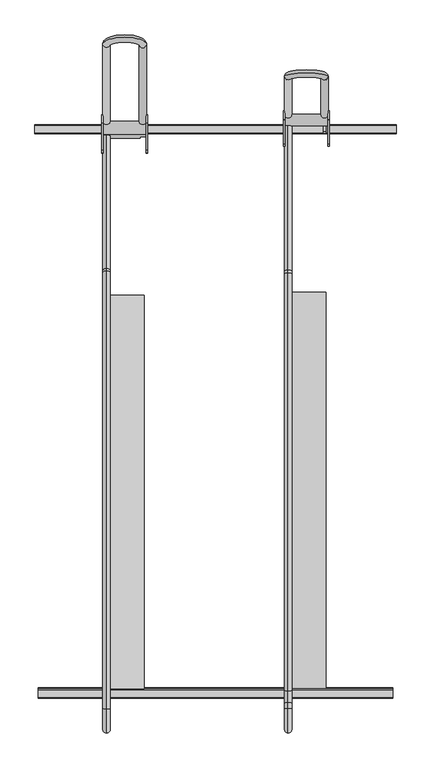
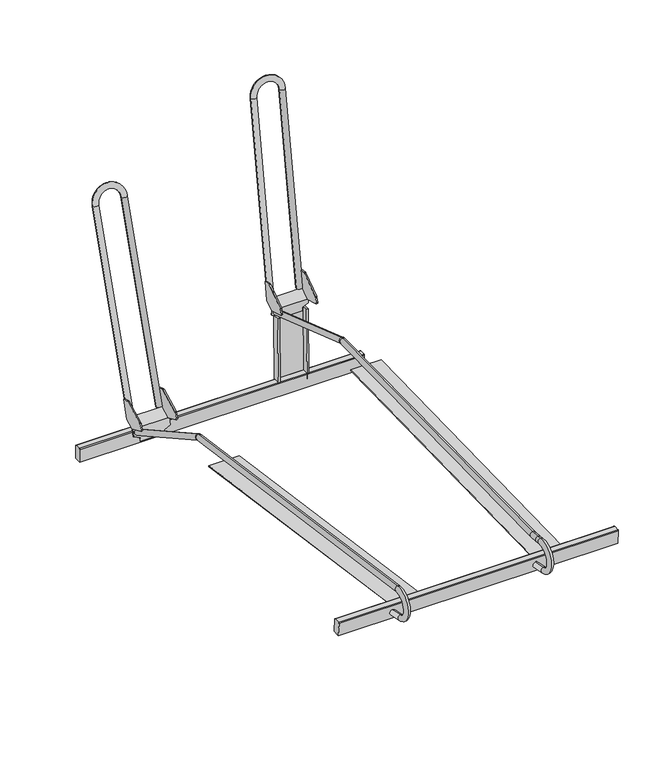
"""IFC4 building model written with IfcOpenShell, lengths in millimetres: proxy geometry."""

from ifc_helpers import new_model, si_unit, point, frame, frame_2d, origin, place, context, project, spatial, polyline, circle_curve, ellipse_curve, trimmed, segment, composite_curve, outline, extrude, faceted_brep, source, transform, mapped, element, save
from ifc_brep_helpers import plane_surface, cylinder_surface, revolved_surface, advanced_brep


def parking_329facc9(model_context):
    return source(origin(), model_context, "Body", "SolidModel", [
        advanced_brep(
        [(-39.9999933, 582.8922729, 1251.0769019), (-39.9999933, 577.696926, 1235.8839745), (-39.9999933, -664.9428908, 1248.1665916), (-39.9999933, -661.834922, 1263.9195976), (-39.9999933, -711.6180658, 1273.7414982), (-39.9999933, -714.7260346, 1257.9884921), (-39.9999933, -701.1760152, 1335.3972094), (-39.9999933, -698.9235668, 1351.295107), (-39.9999933, 265.8512288, 1359.4917024), (-39.9999933, 260.655882, 1344.298775), (-39.9999933, 257.8336658, 1344.7473688), (-39.9999933, 257.605212, 1360.8024141), (-39.9999933, -660.0293715, 1347.7450176), (-39.9999933, -659.8009177, 1331.6899723), (-39.9999933, -687.3079211, 1333.4323479), (-39.9999933, -685.0554727, 1349.3302455)],
        [
            (0, 1, circle_curve(frame((-39.9999933, 580.2945995, 1243.4804382), z_axis=(0.0, 0.9462065793485569, -0.3235631456107187), x_axis=(0.0, -0.3235631456107187, -0.9462065793485569)), 8.0283353)),
            (1, 0, circle_curve(frame((-39.9999933, 580.2945995, 1243.4804382), z_axis=(0.0, 0.9462065793485569, -0.3235631456107187), x_axis=(0.0, -0.3235631456107187, -0.9462065793485569)), 8.0283353)),
            (2, 3, circle_curve(frame((-39.9999933, -663.3889064, 1256.0430946), z_axis=(0.0, 0.9810879524116619, -0.193562469587193), x_axis=(0.0, 0.19356246958719295, 0.9810879524116617)), 8.0283353)),
            (3, 2, circle_curve(frame((-39.9999933, -663.3889064, 1256.0430946), z_axis=(0.0, 0.9810879524116619, -0.193562469587193), x_axis=(0.0, 0.19356246958719295, 0.9810879524116617)), 8.0283353)),
            (4, 5, circle_curve(frame((-39.9999933, -713.1720502, 1265.8649951), z_axis=(0.0, 0.9810879524116619, -0.193562469587193), x_axis=(0.0, 0.19356246958719295, 0.9810879524116617)), 8.0283353)),
            (5, 2),
            (3, 4),
            (5, 4, circle_curve(frame((-39.9999933, -713.1720502, 1265.8649951), z_axis=(0.0, 0.9810879524116619, -0.193562469587193), x_axis=(0.0, 0.19356246958719295, 0.9810879524116617)), 8.0283353)),
            (4, 6, circle_curve(frame((-39.9999933, -705.563767, 1304.4282301), z_axis=(-1.0, 0.0, 0.0), x_axis=(0.0, 0.1402811637915332, 0.990111708387136)), 31.278268)),
            (6, 7, circle_curve(frame((-39.9999933, -700.049791, 1343.3461582), z_axis=(0.0, -0.990111708387136, 0.14028116379153324), x_axis=(0.0, -0.14028116379153324, -0.990111708387136)), 8.0283353)),
            (7, 5, circle_curve(frame((-39.9999933, -705.563767, 1304.4282301), z_axis=(1.0, 0.0, 0.0), x_axis=(0.0, 0.1402811637915332, 0.990111708387136)), 47.3349386)),
            (7, 6, circle_curve(frame((-39.9999933, -700.049791, 1343.3461582), z_axis=(0.0, -0.990111708387136, 0.14028116379153324), x_axis=(0.0, -0.14028116379153324, -0.990111708387136)), 8.0283353)),
            (0, 8),
            (8, 9, circle_curve(frame((-39.9999933, 263.2535554, 1351.8952387), z_axis=(0.0, 0.9462065793485569, -0.3235631456107187), x_axis=(0.0, -0.3235631456107187, -0.9462065793485569)), 8.0283353)),
            (9, 1),
            (9, 8, circle_curve(frame((-39.9999933, 263.2535554, 1351.8952387), z_axis=(0.0, 0.9462065793485569, -0.3235631456107187), x_axis=(0.0, -0.3235631456107187, -0.9462065793485569)), 8.0283353)),
            (10, 11, circle_curve(frame((-39.9999933, 257.7194389, 1352.7748914), z_axis=(0.0, -0.9998987773517047, -0.014227967197252613), x_axis=(0.0, 0.014227967197252613, -0.9998987773517047)), 8.0283353)),
            (11, 12),
            (12, 13, circle_curve(frame((-39.9999933, -659.9151446, 1339.717495), z_axis=(0.0, 0.9998987773517047, 0.014227967197252613), x_axis=(0.0, 0.014227967197252613, -0.9998987773517047)), 8.0283353)),
            (13, 10),
            (11, 10, circle_curve(frame((-39.9999933, 257.7194389, 1352.7748914), z_axis=(0.0, -0.9998987773517047, -0.014227967197252613), x_axis=(0.0, 0.014227967197252613, -0.9998987773517047)), 8.0283353)),
            (13, 12, circle_curve(frame((-39.9999933, -659.9151446, 1339.717495), z_axis=(0.0, 0.9998987773517047, 0.014227967197252613), x_axis=(0.0, 0.014227967197252613, -0.9998987773517047)), 8.0283353)),
            (14, 13, circle_curve(frame((-39.9999933, -662.3338991, 1509.7002871), z_axis=(1.0, 0.0, 0.0), x_axis=(0.0, 0.01422796719725175, -0.9998987773517047)), 178.0283353)),
            (12, 15, circle_curve(frame((-39.9999933, -662.3338991, 1509.7002871), z_axis=(-1.0, 0.0, 0.0), x_axis=(0.0, 0.01422796719725175, -0.9998987773517047)), 161.9716647)),
            (15, 14, circle_curve(frame((-39.9999933, -686.1816969, 1341.3812967), z_axis=(0.0, 0.990111708387136, -0.14028116379153271), x_axis=(0.0, -0.14028116379153271, -0.990111708387136)), 8.0283353)),
            (14, 15, circle_curve(frame((-39.9999933, -686.1816969, 1341.3812967), z_axis=(0.0, 0.990111708387136, -0.14028116379153316), x_axis=(0.0, -0.14028116379153316, -0.990111708387136)), 8.0283353)),
            (15, 7),
            (6, 14),
            (10, 9, circle_curve(frame((-39.9999933, 257.9525392, 1336.393299), z_axis=(-1.0, 0.0, 0.0), x_axis=(0.0, 0.32356314561072574, 0.9462065793485545)), 8.3549155)),
            (8, 11, circle_curve(frame((-39.9999933, 257.9525392, 1336.393299), z_axis=(1.0, 0.0, 0.0), x_axis=(0.0, 0.32356314561072574, 0.9462065793485545)), 24.4115861)),
        ],
        [
            plane_surface(frame((400.0000067, 580.2945995, 1243.4804382), z_axis=(0.0, 0.9462065793485569, -0.3235631456107187), x_axis=(1.0, 0.0, 0.0))),
            plane_surface(frame((400.0000067, -663.3889064, 1256.0430946), z_axis=(0.0, 0.9810879524116618, -0.19356246958719292), x_axis=(1.0, 0.0, 0.0))),
            cylinder_surface(frame((-39.9999933, -713.1720502, 1265.8649951), z_axis=(0.0, -0.9810879524116617, 0.19356246958719295), x_axis=(0.0, 0.19356246958719295, 0.9810879524116617)), 8.0283353),
            revolved_surface(trimmed(ellipse_curve(frame((-39.9999933, -700.049791, 1343.3461582), z_axis=(0.0, 0.990111708387136, -0.14028116379153324), x_axis=(0.0, -0.14028116379153324, -0.990111708387136)), 8.0283353, 8.0283353), [point((-39.9999933, -698.9235668, 1351.295107))], [point((-39.9999933, -701.1760152, 1335.3972094))], True, "CARTESIAN"), (400.0000067, -705.563767, 1304.4282301), (1.0, 0.0, 0.0)),
            revolved_surface(trimmed(ellipse_curve(frame((-39.9999933, -700.049791, 1343.3461582), z_axis=(0.0, 0.990111708387136, -0.14028116379153324), x_axis=(0.0, -0.14028116379153324, -0.990111708387136)), 8.0283353, 8.0283353), [point((-39.9999933, -701.1760152, 1335.3972094))], [point((-39.9999933, -698.9235668, 1351.295107))], True, "CARTESIAN"), (400.0000067, -705.563767, 1304.4282301), (1.0, 0.0, 0.0)),
            cylinder_surface(frame((-39.9999933, 580.2945995, 1243.4804382), z_axis=(0.0, 0.9462065793485569, -0.3235631456107187), x_axis=(0.0, -0.3235631456107187, -0.9462065793485569)), 8.0283353),
            cylinder_surface(frame((-39.9999933, 257.7194389, 1352.7748914), z_axis=(0.0, 0.9998987773517047, 0.014227967197252613), x_axis=(0.0, 0.014227967197252613, -0.9998987773517047)), 8.0283353),
            revolved_surface(trimmed(ellipse_curve(frame((-39.9999933, -659.9151446, 1339.717495), z_axis=(0.0, 0.9998987773517047, 0.014227967197251659), x_axis=(0.0, 0.014227967197251659, -0.9998987773517047)), 8.0283353, 8.0283353), [point((-39.9999933, -660.0293715, 1347.7450176))], [point((-39.9999933, -659.8009177, 1331.6899723))], True, "CARTESIAN"), (400.0000067, -662.3338991, 1509.7002871), (-1.0, 0.0, 0.0)),
            revolved_surface(trimmed(ellipse_curve(frame((-39.9999933, -659.9151446, 1339.717495), z_axis=(0.0, 0.9998987773517047, 0.014227967197251659), x_axis=(0.0, 0.014227967197251659, -0.9998987773517047)), 8.0283353, 8.0283353), [point((-39.9999933, -659.8009177, 1331.6899723))], [point((-39.9999933, -660.0293715, 1347.7450176))], True, "CARTESIAN"), (400.0000067, -662.3338991, 1509.7002871), (-1.0, 0.0, 0.0)),
            cylinder_surface(frame((-39.9999933, -686.1816969, 1341.3812967), z_axis=(0.0, 0.990111708387136, -0.1402811637915332), x_axis=(0.0, -0.1402811637915332, -0.990111708387136)), 8.0283353),
            revolved_surface(trimmed(ellipse_curve(frame((-39.9999933, 263.2535554, 1351.8952387), z_axis=(0.0, 0.9462065793485545, -0.32356314561072574), x_axis=(0.0, -0.32356314561072574, -0.9462065793485545)), 8.0283353, 8.0283353), [point((-39.9999933, 265.8512288, 1359.4917024))], [point((-39.9999933, 260.655882, 1344.298775))], True, "CARTESIAN"), (400.0000067, 257.9525392, 1336.393299), (1.0, 0.0, 0.0)),
            revolved_surface(trimmed(ellipse_curve(frame((-39.9999933, 263.2535554, 1351.8952387), z_axis=(0.0, 0.9462065793485545, -0.32356314561072574), x_axis=(0.0, -0.32356314561072574, -0.9462065793485545)), 8.0283353, 8.0283353), [point((-39.9999933, 260.655882, 1344.298775))], [point((-39.9999933, 265.8512288, 1359.4917024))], True, "CARTESIAN"), (400.0000067, 257.9525392, 1336.393299), (1.0, 0.0, 0.0)),
        ],
        [
            (0, [[1, 2]]),
            (1, [[3, 4]]),
            (2, [[5, 6, -4, 7]]),
            (2, [[8, -7, -3, -6]]),
            (3, [[9, 10, 11, -5]]),
            (4, [[-11, 12, -9, -8]]),
            (5, [[-1, 13, 14, 15]]),
            (5, [[-2, -15, 16, -13]]),
            (6, [[17, 18, 19, 20]]),
            (6, [[21, -20, 22, -18]]),
            (7, [[23, -19, 24, 25]]),
            (8, [[-24, -22, -23, 26]]),
            (9, [[-25, 27, -10, 28]]),
            (9, [[-26, -28, -12, -27]]),
            (10, [[29, -14, 30, -17]]),
            (11, [[-30, -16, -29, -21]]),
        ],
    ),
        extrude(outline(composite_curve([segment(polyline([(-653.2034861, 1241.3951295), (-673.1547671, 1240.0), (-675.8055131, 1277.9074339)]), True, "CONTINUOUS"), segment(trimmed(circle_curve(frame_2d((-673.810385, 1278.0469469)), 2.0), [point((-675.8055131, 1277.9074339))], [point((-673.949898, 1280.042075))], False, "CARTESIAN"), True, "CONTINUOUS"), segment(polyline([(-673.949898, 1280.042075), (-657.9888732, 1281.1581785)]), True, "CONTINUOUS"), segment(trimmed(circle_curve(frame_2d((-657.8493602, 1279.1630504)), 2.0), [point((-657.9888732, 1281.1581785))], [point((-655.8542321, 1279.3025634))], False, "CARTESIAN"), True, "CONTINUOUS"), segment(polyline([(-655.8542321, 1279.3025634), (-653.2034861, 1241.3951295)]), True, "CONTINUOUS")], self_intersect=False)), frame((-590.0, 0.0, 0.0), z_axis=(1.0, 0.0, 0.0), x_axis=(0.0, 1.0, 0.0)), (0.0, 0.0, 1.0), 780.0),
        extrude(outline(composite_curve([segment(polyline([(585.0629187, 1003.606845), (565.0629187, 1003.606845), (565.0629187, 1041.606845)]), True, "CONTINUOUS"), segment(trimmed(circle_curve(frame_2d((567.0629187, 1041.606845)), 2.0), [point((565.0629187, 1041.606845))], [point((567.0629187, 1043.606845))], False, "CARTESIAN"), True, "CONTINUOUS"), segment(polyline([(567.0629187, 1043.606845), (583.0629187, 1043.606845)]), True, "CONTINUOUS"), segment(trimmed(circle_curve(frame_2d((583.0629187, 1041.606845)), 2.0), [point((583.0629187, 1043.606845))], [point((585.0629187, 1041.606845))], False, "CARTESIAN"), True, "CONTINUOUS"), segment(polyline([(585.0629187, 1041.606845), (585.0629187, 1003.606845)]), True, "CONTINUOUS")], self_intersect=False)), frame((-597.5, 0.0, 0.0), z_axis=(1.0, 0.0, 0.0), x_axis=(0.0, 1.0, 0.0)), (0.0, 0.0, 1.0), 795.0),
        faceted_brep([(42.5597305, 588.0951176, 1229.9922848), (42.5597305, 584.7209752, 1036.6878012), (-42.5597305, 584.7209752, 1036.6878012), (-42.5597305, 588.0951176, 1229.9922848), (-0.3546876, 588.0951176, 1229.9922848), (-0.3546876, 585.8457445, 1230.0315477), (-37.4402695, 585.8457445, 1230.0315477), (-37.4402695, 582.4716022, 1036.7270642), (37.4402695, 582.4716022, 1036.7270642), (37.4402695, 585.8457445, 1230.0315477), (42.5597305, 568.9571426, 1230.3263394), (42.5597305, 565.4370135, 1028.6582783), (42.5597305, 582.4716022, 1036.7270642), (-42.5597305, 582.4716022, 1036.7270642), (-42.5597305, 565.4370135, 1028.6582783), (-42.5597305, 568.9571426, 1230.3263394), (-37.4402695, 568.9571426, 1230.3263394), (37.4402695, 568.9571426, 1230.3263394), (-37.4402695, 565.4370135, 1028.6582783), (37.4402695, 565.4370135, 1028.6582783)], [[[0, 1, 2, 3, 4]], [[5, 6, 7, 8, 9]], [[1, 0, 10, 11, 12]], [[2, 1, 12, 8, 7, 13]], [[3, 2, 13, 14, 15]], [[4, 3, 15, 16, 6, 5]], [[10, 0, 4, 5, 9, 17]], [[6, 16, 18, 7]], [[18, 16, 15, 14]], [[7, 18, 14, 13]], [[8, 19, 17, 9]], [[17, 19, 11, 10]], [[19, 8, 12, 11]]]),
        advanced_brep(
        [(-349.1811577, 564.3892155, 1050.321565), (-349.1811577, 591.1355296, 1063.9095995), (-349.1811577, 607.1367112, 1112.9583546), (-349.1811577, 589.0750917, 1118.850599), (-349.1811577, 587.5489355, 1118.7323072), (-349.1811577, 529.7200184, 1089.3532564), (-349.1811577, 528.3614026, 1087.9497004), (-349.1811577, 522.082664, 1074.5264483), (-349.1811577, 524.0111225, 1069.2084555), (-349.1811577, 562.4482999, 1051.22943), (-349.1811577, 558.5021535, 1031.2280488), (-349.1811577, 560.5427551, 1030.825451), (-450.8188423, 591.1355296, 1063.9095995), (-450.8188423, 564.3892155, 1050.321565), (-450.8188423, 560.5427551, 1030.825451), (-450.8188423, 558.5021535, 1031.2280488), (-450.8188423, 562.4482999, 1051.22943), (-450.8188423, 524.0135663, 1069.2073124), (-450.8188423, 522.0838071, 1074.5288921), (-450.8188423, 528.3614026, 1087.9497004), (-450.8188423, 529.7200184, 1089.3532564), (-450.8188423, 587.5489355, 1118.7323072), (-450.8188423, 589.0750917, 1118.850599), (-450.8188423, 607.1367112, 1112.9583546), (-447.2690307, 607.1367112, 1112.9583546), (-447.2690307, 591.8761254, 1066.1797632), (-352.7309694, 591.8761254, 1066.1797632), (-352.7309694, 607.1367112, 1112.9583546), (-447.2690307, 562.4482999, 1051.22943), (-352.7309694, 562.4482999, 1051.22943), (-352.7309694, 564.3892155, 1050.321565), (-447.2690307, 564.3892155, 1050.321565), (-433.7347779, 557.0984858, 1024.1134392), (-433.7347779, 555.1628611, 1014.3025597), (-366.2652221, 555.1628611, 1014.3025597), (-366.2652221, 557.0984858, 1024.1134392), (-366.2652221, 559.1390874, 1023.7108414), (-366.2652221, 557.2034627, 1013.8999619), (-433.7347779, 557.2034627, 1013.8999619), (-433.7347779, 559.1390874, 1023.7108414), (-447.2690307, 589.0750917, 1118.850599), (-447.2690307, 587.5489355, 1118.7323072), (-447.2690307, 529.7200184, 1089.3532564), (-447.2690307, 528.3614026, 1087.9497004), (-447.2690307, 522.0838071, 1074.5288921), (-447.2690307, 524.0135663, 1069.2073124), (-352.7309694, 524.0111225, 1069.2084555), (-352.7309694, 522.082664, 1074.5264483), (-352.7309694, 528.3614026, 1087.9497004), (-352.7309694, 529.7200184, 1089.3532564), (-352.7309694, 587.5489355, 1118.7323072), (-352.7309694, 589.0750917, 1118.850599)],
        [
            (0, 1),
            (1, 2),
            (2, 3),
            (3, 4, circle_curve(frame((-349.1811577, 588.4548045, 1116.9492196), z_axis=(1.0, 0.0, 0.0), x_axis=(0.0, 0.9875022978659367, -0.15760460561003606)), 2.0)),
            (4, 5),
            (5, 6, circle_curve(frame((-349.1811577, 531.0788218, 1086.678625), z_axis=(1.0, 0.0, 0.0), x_axis=(0.0, 0.9875022978659367, -0.15760460561003606)), 3.0)),
            (6, 7),
            (7, 8, circle_curve(frame((-349.1811577, 525.7058896, 1072.8316812), z_axis=(1.0, 0.0, 0.0), x_axis=(0.0, 0.9875022978659367, -0.15760460561003606)), 4.0)),
            (8, 9),
            (9, 10),
            (10, 11),
            (11, 0),
            (12, 13),
            (13, 14),
            (14, 15),
            (15, 16),
            (16, 17),
            (17, 18, circle_curve(frame((-450.8188423, 525.7094765, 1072.8329819), z_axis=(-1.0, 0.0, 0.0), x_axis=(0.0, 0.9875022978659367, -0.15760460561003606)), 4.0026979)),
            (18, 19),
            (19, 20, circle_curve(frame((-450.8188423, 531.0788218, 1086.678625), z_axis=(-1.0, 0.0, 0.0), x_axis=(0.0, 0.9875022978659367, -0.15760460561003606)), 3.0)),
            (20, 21),
            (21, 22, circle_curve(frame((-450.8188423, 588.4548045, 1116.9492196), z_axis=(-1.0, 0.0, 0.0), x_axis=(0.0, 0.9875022978659367, -0.15760460561003606)), 2.0)),
            (22, 23),
            (23, 12),
            (1, 12),
            (23, 24),
            (24, 25),
            (25, 26),
            (26, 27),
            (27, 2),
            (25, 28),
            (28, 29),
            (29, 26),
            (0, 30),
            (30, 31),
            (31, 13),
            (9, 29),
            (28, 16),
            (15, 32),
            (32, 33),
            (33, 34),
            (34, 35),
            (35, 10),
            (11, 36),
            (36, 37),
            (37, 38),
            (38, 39),
            (39, 14),
            (39, 32),
            (35, 36),
            (34, 37),
            (33, 38),
            (24, 40),
            (40, 41, circle_curve(frame((-447.2690307, 588.4548045, 1116.9492196), z_axis=(1.0, 0.0, 0.0), x_axis=(0.0, 0.9875022978659367, -0.15760460561003606)), 2.0)),
            (41, 42),
            (42, 43, circle_curve(frame((-447.2690307, 531.0788218, 1086.678625), z_axis=(1.0, 0.0, 0.0), x_axis=(0.0, 0.9875022978659367, -0.15760460561003606)), 3.0)),
            (43, 44),
            (44, 45, circle_curve(frame((-447.2690307, 525.7094765, 1072.8329819), z_axis=(1.0, 0.0, 0.0), x_axis=(0.0, 0.9875022978659367, -0.15760460561003606)), 4.0026979)),
            (45, 28),
            (22, 40),
            (41, 21),
            (20, 42),
            (43, 19),
            (18, 44),
            (45, 17),
            (46, 47, circle_curve(frame((-352.7309694, 525.7058896, 1072.8316812), z_axis=(-1.0, 0.0, 0.0), x_axis=(0.0, 0.9875022978659367, -0.15760460561003606)), 4.0)),
            (47, 48),
            (48, 49, circle_curve(frame((-352.7309694, 531.0788218, 1086.678625), z_axis=(-1.0, 0.0, 0.0), x_axis=(0.0, 0.9875022978659367, -0.15760460561003606)), 3.0)),
            (49, 50),
            (50, 51, circle_curve(frame((-352.7309694, 588.4548045, 1116.9492196), z_axis=(-1.0, 0.0, 0.0), x_axis=(0.0, 0.9875022978659367, -0.15760460561003606)), 2.0)),
            (51, 27),
            (29, 46),
            (51, 3),
            (49, 5),
            (4, 50),
            (47, 7),
            (6, 48),
            (8, 46),
        ],
        [
            plane_surface(frame((-349.1811577, 564.3182119, 1052.1794087), z_axis=(1.0, 0.0, 0.0), x_axis=(0.0, -0.8915438038288074, -0.45293448296024125))),
            plane_surface(frame((-450.8188423, 564.3182119, 1052.1794087), z_axis=(-1.0, 0.0, 0.0), x_axis=(0.0, 0.8915438038288074, 0.45293448296024125))),
            plane_surface(frame((-349.1811577, 591.1355296, 1063.9095995), z_axis=(0.0, 0.9506897137466142, -0.3101436250777708), x_axis=(-1.0, 0.0, 0.0))),
            plane_surface(frame((-349.1811577, 591.8761254, 1066.1797632), z_axis=(0.0, -0.45293448296024125, 0.8915438038288074), x_axis=(-1.0, 0.0, 0.0))),
            plane_surface(frame((-349.1811577, 564.3892155, 1050.321565), z_axis=(0.0, 0.4529344829602402, -0.8915438038288079), x_axis=(-1.0, 0.0, 0.0))),
            plane_surface(frame((-349.1811577, 562.4482999, 1051.22943), z_axis=(0.0, -0.9810879524116619, 0.1935624695871925), x_axis=(-1.0, 0.0, 0.0))),
            plane_surface(frame((-349.1811577, 556.5688675, 1010.6834616), z_axis=(0.0, 0.9810879524116619, -0.1935624695871923), x_axis=(-1.0, 0.0, 0.0))),
            plane_surface(frame((-433.7347779, 524.9173134, 1030.4625817), z_axis=(-0.39073112848927577, -0.17817519270125057, -0.9030962218586509), x_axis=(0.0, 0.9810879524116619, -0.19356246958719212))),
            plane_surface(frame((-349.1811577, 526.320981, 1037.5771913), z_axis=(0.39073112848927405, -0.17817519270125085, -0.9030962218586517), x_axis=(0.0, 0.9810879524116619, -0.19356246958719225))),
            plane_surface(frame((-366.2652221, 524.9173134, 1030.4625817), z_axis=(1.0, 0.0, 0.0), x_axis=(0.0, 0.9810879524116619, -0.19356246958719212))),
            plane_surface(frame((-366.2652221, 522.9816887, 1020.6517022), z_axis=(0.0, -0.19356246958719225, -0.9810879524116619), x_axis=(0.0, 0.9810879524116619, -0.19356246958719225))),
            plane_surface(frame((-433.7347779, 522.9816887, 1020.6517022), z_axis=(-1.0, 0.0, 0.0), x_axis=(0.0, 0.9810879524116619, -0.19356246958719225))),
            plane_surface(frame((-447.2690307, 616.4410199, 1141.479046), z_axis=(1.0, 0.0, 0.0), x_axis=(0.0, 0.31014362507778576, 0.9506897137466093))),
            plane_surface(frame((-447.2690307, 607.1367112, 1112.9583546), z_axis=(0.0, 0.31014362507779286, 0.950689713746607), x_axis=(-1.0, 0.0, 0.0))),
            plane_surface(frame((-447.2690307, 587.5489355, 1118.7323072), z_axis=(0.0, -0.45293448296024674, 0.8915438038288047), x_axis=(-1.0, 0.0, 0.0))),
            plane_surface(frame((-447.2690307, 528.3614026, 1087.9497004), z_axis=(0.0, -0.9058064168346622, 0.42369179272337826), x_axis=(-1.0, 0.0, 0.0))),
            plane_surface(frame((-447.2690307, 524.0135663, 1069.2073124), z_axis=(0.0, -0.4236917927233751, -0.9058064168346638), x_axis=(-1.0, 0.0, 0.0))),
            cylinder_surface(frame((-450.8188423, 531.0788218, 1086.678625), z_axis=(1.0000000000000002, 0.0, 0.0), x_axis=(0.0, 0.9875022978659367, -0.15760460561003606)), 3.0),
            cylinder_surface(frame((-450.8188423, 525.7094765, 1072.8329819), z_axis=(1.0000000000000002, 0.0, 0.0), x_axis=(0.0, 0.9875022978659367, -0.15760460561003606)), 4.0026979),
            plane_surface(frame((-352.7309694, 590.9418925, 1063.8112252), z_axis=(-1.0, 0.0, 0.0), x_axis=(0.0, -0.891543803828807, -0.4529344829602418))),
            plane_surface(frame((-352.7309694, 589.0750917, 1118.850599), z_axis=(0.0, 0.31014362507779286, 0.950689713746607), x_axis=(1.0, 0.0, 0.0))),
            plane_surface(frame((-352.7309694, 529.7200184, 1089.3532564), z_axis=(0.0, -0.45293448296024674, 0.8915438038288047), x_axis=(1.0, 0.0, 0.0))),
            plane_surface(frame((-352.7309694, 522.082664, 1074.5264483), z_axis=(0.0, -0.9058064168346661, 0.4236917927233701), x_axis=(1.0, 0.0, 0.0))),
            plane_surface(frame((-352.7309694, 564.3892155, 1050.321565), z_axis=(0.0, -0.42369179272337704, -0.9058064168346628), x_axis=(1.0, 0.0, 0.0))),
            cylinder_surface(frame((-349.1811577, 525.7058896, 1072.8316812), z_axis=(-1.0000000000000002, 0.0, 0.0), x_axis=(0.0, 0.9875022978659367, -0.15760460561003606)), 4.0),
            cylinder_surface(frame((-349.1811577, 531.0788218, 1086.678625), z_axis=(-1.0000000000000002, 0.0, 0.0), x_axis=(0.0, 0.9875022978659367, -0.15760460561003606)), 3.0),
            cylinder_surface(frame((-450.8188423, 588.4548045, 1116.9492196), z_axis=(1.0000000000000002, 0.0, 0.0), x_axis=(0.0, 0.9875022978659367, -0.15760460561003606)), 2.0),
            cylinder_surface(frame((-349.1811577, 588.4548045, 1116.9492196), z_axis=(-1.0000000000000002, 0.0, 0.0), x_axis=(0.0, 0.9875022978659367, -0.15760460561003606)), 2.0),
        ],
        [
            (0, [[1, 2, 3, 4, 5, 6, 7, 8, 9, 10, 11, 12]]),
            (1, [[13, 14, 15, 16, 17, 18, 19, 20, 21, 22, 23, 24]]),
            (2, [[-2, 25, -24, 26, 27, 28, 29, 30]]),
            (3, [[31, 32, 33, -28]]),
            (4, [[-25, -1, 34, 35, 36, -13]]),
            (5, [[-10, 37, -32, 38, -16, 39, 40, 41, 42, 43]]),
            (6, [[-12, 44, 45, 46, 47, 48, -14, -36, -35, -34]]),
            (7, [[49, -39, -15, -48]]),
            (8, [[50, -44, -11, -43]]),
            (9, [[-50, -42, 51, -45]]),
            (10, [[-51, -41, 52, -46]]),
            (11, [[-49, -47, -52, -40]]),
            (12, [[53, 54, 55, 56, 57, 58, 59, -31, -27]]),
            (13, [[-53, -26, -23, 60]]),
            (14, [[-55, 61, -21, 62]]),
            (15, [[-57, 63, -19, 64]]),
            (16, [[65, -17, -38, -59]]),
            (17, [[-56, -62, -20, -63]]),
            (18, [[-58, -64, -18, -65]]),
            (19, [[66, 67, 68, 69, 70, 71, -29, -33, 72]]),
            (20, [[-71, 73, -3, -30]]),
            (21, [[-69, 74, -5, 75]]),
            (22, [[-67, 76, -7, 77]]),
            (23, [[78, -72, -37, -9]]),
            (24, [[-66, -78, -8, -76]]),
            (25, [[-68, -77, -6, -74]]),
            (26, [[-54, -60, -22, -61]]),
            (27, [[-70, -75, -4, -73]]),
        ],
    ),
        advanced_brep(
        [(50.8188423, 584.5663048, 1248.5761243), (50.8188423, 607.0746861, 1265.0663825), (50.8188423, 614.9431576, 1316.0556494), (50.8188423, 596.1669678, 1318.9531203), (50.8188423, 594.6799592, 1318.5898697), (50.8188423, 542.3558608, 1280.2557985), (50.8188423, 541.2417947, 1278.6512228), (50.8188423, 537.6741097, 1266.0201303), (50.8188423, 540.4645989, 1261.0327661), (50.8188423, 582.5042334, 1249.1585618), (50.8188423, 582.7766788, 1236.4439235), (50.8188423, 584.8253293, 1236.4878214), (-50.8188423, 607.0746861, 1265.0663825), (-50.8188423, 584.5663048, 1248.5761243), (-50.8188423, 584.8253293, 1236.4878214), (-50.8188423, 582.7766788, 1236.4439235), (-50.8188423, 582.5042334, 1249.1585618), (-50.8188423, 540.425067, 1261.043932), (-50.8188423, 537.6629438, 1265.9805984), (-50.8188423, 541.2417947, 1278.6512228), (-50.8188423, 542.3558608, 1280.2557985), (-50.8188423, 594.6799592, 1318.5898697), (-50.8188423, 596.1669678, 1318.9531203), (-50.8188423, 614.9431576, 1316.0556494), (-47.2690307, 614.9431576, 1316.0556494), (-47.2690307, 607.438869, 1267.4263605), (47.2690307, 607.438869, 1267.4263605), (47.2690307, 614.9431576, 1316.0556494), (47.2690307, 582.5042334, 1249.1585618), (-47.2690307, 582.5042334, 1249.1585618), (-33.7347779, 582.9320315, 1229.1938326), (-33.7347779, 583.1462594, 1219.1961276), (33.7347779, 583.1462594, 1219.1961276), (33.7347779, 582.9320315, 1229.1938326), (-33.7347779, 585.1949099, 1219.2400255), (33.7347779, 585.1949099, 1219.2400255), (33.7347779, 584.9806821, 1229.2377305), (-33.7347779, 584.9806821, 1229.2377305), (-47.2690307, 584.5663048, 1248.5761243), (47.2690307, 584.5663048, 1248.5761243), (-47.2690307, 596.1669678, 1318.9531203), (-47.2690307, 594.6799592, 1318.5898697), (-47.2690307, 542.3558608, 1280.2557985), (-47.2690307, 541.2417947, 1278.6512228), (-47.2690307, 537.6629438, 1265.9805984), (-47.2690307, 540.425067, 1261.043932), (47.2690307, 540.4645989, 1261.0327661), (47.2690307, 537.6741097, 1266.0201303), (47.2690307, 541.2417947, 1278.6512228), (47.2690307, 542.3558608, 1280.2557985), (47.2690307, 594.6799592, 1318.5898697), (47.2690307, 596.1669678, 1318.9531203)],
        [
            (0, 1),
            (1, 2),
            (2, 3),
            (3, 4, circle_curve(frame((50.8188423, 595.8619458, 1316.9765168), z_axis=(1.0, 0.0, 0.0), x_axis=(0.0, 0.9999921150853808, 0.003971116601992598)), 2.0)),
            (4, 5),
            (5, 6, circle_curve(frame((50.8188423, 544.1288408, 1277.8357691), z_axis=(1.0, 0.0, 0.0), x_axis=(0.0, 0.9999921150853808, 0.003971116601992598)), 3.0)),
            (6, 7),
            (7, 8, circle_curve(frame((50.8188423, 541.5630364, 1264.9216928), z_axis=(1.0, 0.0, 0.0), x_axis=(0.0, 0.9999921150853808, 0.003971116601992598)), 4.0410785)),
            (8, 9),
            (9, 10),
            (10, 11),
            (11, 0),
            (12, 13),
            (13, 14),
            (14, 15),
            (15, 16),
            (16, 17),
            (17, 18, circle_curve(frame((-50.8188423, 541.5123386, 1264.8933268), z_axis=(-1.0, 0.0, 0.0), x_axis=(0.0, 0.9999921150853808, 0.003971116601992598)), 4.0)),
            (18, 19),
            (19, 20, circle_curve(frame((-50.8188423, 544.1288408, 1277.8357691), z_axis=(-1.0, 0.0, 0.0), x_axis=(0.0, 0.9999921150853808, 0.003971116601992598)), 3.0)),
            (20, 21),
            (21, 22, circle_curve(frame((-50.8188423, 595.8619458, 1316.9765168), z_axis=(-1.0, 0.0, 0.0), x_axis=(0.0, 0.9999921150853809, 0.003971116601986504)), 2.0)),
            (22, 23),
            (23, 12),
            (1, 12),
            (23, 24),
            (24, 25),
            (25, 26),
            (26, 27),
            (27, 2),
            (9, 28),
            (28, 29),
            (29, 16),
            (15, 30),
            (30, 31),
            (31, 32),
            (32, 33),
            (33, 10),
            (31, 34),
            (34, 35),
            (35, 32),
            (11, 36),
            (36, 35),
            (34, 37),
            (37, 14),
            (13, 38),
            (38, 39),
            (39, 0),
            (25, 29),
            (28, 26),
            (37, 30),
            (33, 36),
            (24, 40),
            (40, 41, circle_curve(frame((-47.2690307, 595.8619458, 1316.9765168), z_axis=(1.0, 0.0, 0.0), x_axis=(0.0, 0.9999921150853809, 0.003971116601986504)), 2.0)),
            (41, 42),
            (42, 43, circle_curve(frame((-47.2690307, 544.1288408, 1277.8357691), z_axis=(1.0, 0.0, 0.0), x_axis=(0.0, 0.9999921150853808, 0.003971116601992598)), 3.0)),
            (43, 44),
            (44, 45, circle_curve(frame((-47.2690307, 541.5123386, 1264.8933268), z_axis=(1.0, 0.0, 0.0), x_axis=(0.0, 0.9999921150853808, 0.003971116601992598)), 4.0)),
            (45, 29),
            (22, 40),
            (41, 21),
            (20, 42),
            (43, 19),
            (18, 44),
            (45, 17),
            (46, 47, circle_curve(frame((47.2690307, 541.5630364, 1264.9216928), z_axis=(-1.0, 0.0, 0.0), x_axis=(0.0, 0.9999921150853808, 0.003971116601992598)), 4.0410785)),
            (47, 48),
            (48, 49, circle_curve(frame((47.2690307, 544.1288408, 1277.8357691), z_axis=(-1.0, 0.0, 0.0), x_axis=(0.0, 0.9999921150853808, 0.003971116601992598)), 3.0)),
            (49, 50),
            (50, 51, circle_curve(frame((47.2690307, 595.8619458, 1316.9765168), z_axis=(-1.0, 0.0, 0.0), x_axis=(0.0, 0.9999921150853808, 0.003971116601992598)), 2.0)),
            (51, 27),
            (28, 46),
            (51, 3),
            (49, 5),
            (4, 50),
            (47, 7),
            (6, 48),
            (8, 46),
        ],
        [
            plane_surface(frame((50.8188423, 582.5042334, 1249.1585618), z_axis=(1.0000000000000002, 0.0, 0.0), x_axis=(0.0, -0.8066764515712406, -0.590993318473595))),
            plane_surface(frame((-50.8188423, 582.5042334, 1249.1585618), z_axis=(-1.0000000000000002, 0.0, 0.0), x_axis=(0.0, 0.8066764515712406, 0.590993318473595))),
            plane_surface(frame((50.8188423, 607.0746861, 1265.0663825), z_axis=(0.0, 0.9883017722581453, -0.15251100600090828), x_axis=(-1.0, 0.0, 0.0))),
            plane_surface(frame((50.8188423, 582.5042334, 1249.1585618), z_axis=(0.0, -0.9997705059017352, -0.021422780608235364), x_axis=(-1.0, 0.0, 0.0))),
            plane_surface(frame((50.8188423, 583.1462594, 1219.1961276), z_axis=(0.0, 0.021422780608245064, -0.999770505901735), x_axis=(-1.0, 0.0, 0.0))),
            plane_surface(frame((50.8188423, 585.1949099, 1219.2400255), z_axis=(0.0, 0.9997705059017351, 0.021422780608241054), x_axis=(-1.0, 0.0, 0.0))),
            plane_surface(frame((50.8188423, 607.438869, 1267.4263605), z_axis=(0.0, -0.590993318473595, 0.8066764515712406), x_axis=(-1.0, 0.0, 0.0))),
            plane_surface(frame((50.8188423, 584.5663048, 1248.5761243), z_axis=(0.0, 0.5909933184735968, -0.8066764515712392), x_axis=(-1.0, 0.0, 0.0))),
            plane_surface(frame((-33.7347779, 548.4877539, 1228.4557711), z_axis=(-0.3907311284892846, 0.019719773524328247, -0.9202936030211445), x_axis=(0.0, 0.9997705059017352, 0.021422780608236304))),
            plane_surface(frame((50.8188423, 548.3324012, 1235.7058619), z_axis=(0.39073112848928454, 0.019719773524328233, -0.9202936030211445), x_axis=(0.0, 0.9997705059017352, 0.02142278060823629))),
            plane_surface(frame((33.7347779, 548.4877539, 1228.4557711), z_axis=(1.0000000000000002, 0.0, 0.0), x_axis=(0.0, 0.9997705059017352, 0.021422780608236304))),
            plane_surface(frame((-33.7347779, 548.7019818, 1218.458066), z_axis=(-1.0, 0.0, 0.0), x_axis=(0.0, 0.9997705059017351, 0.021422780608237685))),
            plane_surface(frame((-47.2690307, 619.5184878, 1345.7047026), z_axis=(1.0, 0.0, 0.0), x_axis=(0.0, 0.1525110060009014, 0.9883017722581464))),
            plane_surface(frame((-47.2690307, 614.9431576, 1316.0556494), z_axis=(0.0, 0.15251100600090306, 0.9883017722581462), x_axis=(-1.0, 0.0, 0.0))),
            plane_surface(frame((-47.2690307, 594.6799592, 1318.5898697), z_axis=(0.0, -0.5909933184736043, 0.8066764515712337), x_axis=(-1.0, 0.0, 0.0))),
            plane_surface(frame((-47.2690307, 541.2417947, 1278.6512228), z_axis=(0.0, -0.9623487045517325, 0.27181790016038737), x_axis=(-1.0, 0.0, 0.0))),
            plane_surface(frame((-47.2690307, 540.425067, 1261.043932), z_axis=(0.0, -0.2718179001603866, -0.9623487045517327), x_axis=(-1.0, 0.0, 0.0))),
            cylinder_surface(frame((-50.8188423, 544.1288408, 1277.8357691), z_axis=(1.0, 0.0, 0.0), x_axis=(0.0, 0.9999921150853808, 0.003971116601992598)), 3.0),
            cylinder_surface(frame((-50.8188423, 541.5123386, 1264.8933268), z_axis=(1.0, 0.0, 0.0), x_axis=(0.0, 0.9999921150853808, 0.003971116601992598)), 4.0),
            plane_surface(frame((47.2690307, 606.8994815, 1264.9380228), z_axis=(-1.0, 0.0, 0.0), x_axis=(0.0, -0.8066764515712358, -0.5909933184736015))),
            plane_surface(frame((47.2690307, 596.1669678, 1318.9531203), z_axis=(0.0, 0.15251100600090306, 0.9883017722581462), x_axis=(1.0, 0.0, 0.0))),
            plane_surface(frame((47.2690307, 542.3558608, 1280.2557985), z_axis=(0.0, -0.5909933184736043, 0.8066764515712337), x_axis=(1.0, 0.0, 0.0))),
            plane_surface(frame((47.2690307, 537.6741097, 1266.0201303), z_axis=(0.0, -0.9623487045517298, 0.271817900160397), x_axis=(1.0, 0.0, 0.0))),
            plane_surface(frame((47.2690307, 584.5663048, 1248.5761243), z_axis=(0.0, -0.27181790016038576, -0.962348704551733), x_axis=(1.0, 0.0, 0.0))),
            cylinder_surface(frame((50.8188423, 541.5630364, 1264.9216928), z_axis=(-1.0, 0.0, 0.0), x_axis=(0.0, 0.9999921150853808, 0.003971116601992598)), 4.0410785),
            cylinder_surface(frame((50.8188423, 544.1288408, 1277.8357691), z_axis=(-1.0, 0.0, 0.0), x_axis=(0.0, 0.9999921150853808, 0.003971116601992598)), 3.0),
            cylinder_surface(frame((-50.8188423, 595.8619458, 1316.9765168), z_axis=(1.0000000000000002, 0.0, 0.0), x_axis=(0.0, 0.9999921150853809, 0.003971116601986504)), 2.0),
            cylinder_surface(frame((50.8188423, 595.8619458, 1316.9765168), z_axis=(-1.0, 0.0, 0.0), x_axis=(0.0, 0.9999921150853808, 0.003971116601992598)), 2.0),
        ],
        [
            (0, [[1, 2, 3, 4, 5, 6, 7, 8, 9, 10, 11, 12]]),
            (1, [[13, 14, 15, 16, 17, 18, 19, 20, 21, 22, 23, 24]]),
            (2, [[-2, 25, -24, 26, 27, 28, 29, 30]]),
            (3, [[-10, 31, 32, 33, -16, 34, 35, 36, 37, 38]]),
            (4, [[-36, 39, 40, 41]]),
            (5, [[-12, 42, 43, -40, 44, 45, -14, 46, 47, 48]]),
            (6, [[49, -32, 50, -28]]),
            (7, [[-25, -1, -48, -47, -46, -13]]),
            (8, [[51, -34, -15, -45]]),
            (9, [[52, -42, -11, -38]]),
            (10, [[-52, -37, -41, -43]]),
            (11, [[-51, -44, -39, -35]]),
            (12, [[53, 54, 55, 56, 57, 58, 59, -49, -27]]),
            (13, [[-53, -26, -23, 60]]),
            (14, [[-55, 61, -21, 62]]),
            (15, [[-57, 63, -19, 64]]),
            (16, [[65, -17, -33, -59]]),
            (17, [[-56, -62, -20, -63]]),
            (18, [[-58, -64, -18, -65]]),
            (19, [[66, 67, 68, 69, 70, 71, -29, -50, 72]]),
            (20, [[-71, 73, -3, -30]]),
            (21, [[-69, 74, -5, 75]]),
            (22, [[-67, 76, -7, 77]]),
            (23, [[78, -72, -31, -9]]),
            (24, [[-66, -78, -8, -76]]),
            (25, [[-68, -77, -6, -74]]),
            (26, [[-54, -60, -22, -61]]),
            (27, [[-70, -75, -4, -73]]),
        ],
    ),
        advanced_brep(
        [(-431.9716647, 592.9279548, 1069.4820672), (-448.0283353, 592.9279548, 1069.4820672), (-431.9716647, 761.5971183, 1586.507167), (-448.0283353, 761.5971183, 1586.507167), (-351.9716647, 761.5971183, 1586.507167), (-368.0283353, 761.5971183, 1586.507167), (-368.0283353, 592.9279548, 1069.4820672), (-351.9716647, 592.9279548, 1069.4820672)],
        [
            (0, 1, circle_curve(frame((-440.0, 592.9279548, 1069.4820672), z_axis=(0.0, -0.3101436250777875, -0.9506897137466087), x_axis=(-1.0, 0.0, 0.0)), 8.0283353)),
            (1, 0, circle_curve(frame((-440.0, 592.9279548, 1069.4820672), z_axis=(0.0, -0.3101436250777875, -0.9506897137466087), x_axis=(-1.0, 0.0, 0.0)), 8.0283353)),
            (0, 2),
            (2, 3, circle_curve(frame((-440.0, 761.5971183, 1586.507167), z_axis=(0.0, -0.3101436250777875, -0.9506897137466087), x_axis=(-1.0, 0.0, 0.0)), 8.0283353)),
            (3, 1),
            (3, 2, circle_curve(frame((-440.0, 761.5971183, 1586.507167), z_axis=(0.0, -0.3101436250777875, -0.9506897137466087), x_axis=(-1.0, 0.0, 0.0)), 8.0283353)),
            (4, 3, circle_curve(frame((-400.0, 761.5971183, 1586.507167), z_axis=(0.0, -0.9506897137466087, 0.3101436250777875), x_axis=(-1.0, 0.0, 0.0)), 48.0283353)),
            (2, 5, circle_curve(frame((-400.0, 761.5971183, 1586.507167), z_axis=(0.0, 0.9506897137466087, -0.3101436250777875), x_axis=(-1.0, 0.0, 0.0)), 31.9716647)),
            (5, 4, circle_curve(frame((-360.0, 761.5971183, 1586.507167), z_axis=(0.0, 0.3101436250777875, 0.9506897137466087), x_axis=(1.0, 0.0, 0.0)), 8.0283353)),
            (4, 5, circle_curve(frame((-360.0, 761.5971183, 1586.507167), z_axis=(0.0, 0.3101436250777875, 0.9506897137466087), x_axis=(1.0, 0.0, 0.0)), 8.0283353)),
            (6, 7, circle_curve(frame((-360.0, 592.9279548, 1069.4820672), z_axis=(0.0, -0.3101436250777874, -0.9506897137466088), x_axis=(1.0, 0.0, 0.0)), 8.0283353)),
            (7, 6, circle_curve(frame((-360.0, 592.9279548, 1069.4820672), z_axis=(0.0, -0.3101436250777874, -0.9506897137466088), x_axis=(1.0, 0.0, 0.0)), 8.0283353)),
            (5, 6),
            (7, 4),
        ],
        [
            plane_surface(frame((-440.0, -22.174473, 1270.1470097), z_axis=(0.0, -0.3101436250777875, -0.9506897137466087), x_axis=(0.0, -0.9506897137466087, 0.3101436250777875))),
            cylinder_surface(frame((-440.0, 592.9279548, 1069.4820672), z_axis=(0.0, -0.3101436250777875, -0.9506897137466087), x_axis=(-1.0, 0.0, 0.0)), 8.0283353),
            revolved_surface(trimmed(ellipse_curve(frame((-440.0, 761.5971183, 1586.507167), z_axis=(0.0, -0.3101436250777875, -0.9506897137466087), x_axis=(-1.0, 0.0, 0.0)), 8.0283353, 8.0283353), [point((-431.9716647, 761.5971183, 1586.507167))], [point((-448.0283353, 761.5971183, 1586.507167))], True, "CARTESIAN"), (-400.0, 146.4946904, 1787.1721096), (0.0, 0.9506897137466087, -0.3101436250777875)),
            revolved_surface(trimmed(ellipse_curve(frame((-440.0, 761.5971183, 1586.507167), z_axis=(0.0, -0.3101436250777875, -0.9506897137466087), x_axis=(-1.0, 0.0, 0.0)), 8.0283353, 8.0283353), [point((-448.0283353, 761.5971183, 1586.507167))], [point((-431.9716647, 761.5971183, 1586.507167))], True, "CARTESIAN"), (-400.0, 146.4946904, 1787.1721096), (0.0, 0.9506897137466087, -0.3101436250777875)),
            plane_surface(frame((-360.0, -22.174473, 1270.1470097), z_axis=(0.0, -0.3101436250777874, -0.9506897137466088), x_axis=(0.0, -0.9506897137466088, 0.3101436250777874))),
            cylinder_surface(frame((-360.0, 761.5971183, 1586.507167), z_axis=(0.0, 0.3101436250777874, 0.9506897137466088), x_axis=(1.0, 0.0, 0.0)), 8.0283353),
        ],
        [
            (0, [[1, 2]]),
            (1, [[-1, 3, 4, 5]]),
            (1, [[-2, -5, 6, -3]]),
            (2, [[7, -4, 8, 9]]),
            (3, [[-8, -6, -7, 10]]),
            (4, [[11, 12]]),
            (5, [[-9, 13, -12, 14]]),
            (5, [[-10, -14, -11, -13]]),
        ],
    ),
        advanced_brep(
        [(-31.9716647, 607.8707648, 1270.5781953), (-48.0283353, 607.8707648, 1270.5781953), (-31.9716647, 690.8126721, 1808.0583165), (-48.0283353, 690.8126721, 1808.0583165), (48.0283353, 690.8126721, 1808.0583165), (31.9716647, 690.8126721, 1808.0583165), (31.9716647, 607.8707648, 1270.5781953), (48.0283353, 607.8707648, 1270.5781953)],
        [
            (0, 1, circle_curve(frame((-40.0, 607.8707648, 1270.5781953), z_axis=(0.0, -0.15251100600090214, -0.9883017722581463), x_axis=(-1.0, 0.0, 0.0)), 8.0283353)),
            (1, 0, circle_curve(frame((-40.0, 607.8707648, 1270.5781953), z_axis=(0.0, -0.15251100600090214, -0.9883017722581463), x_axis=(-1.0, 0.0, 0.0)), 8.0283353)),
            (0, 2),
            (2, 3, circle_curve(frame((-40.0, 690.8126721, 1808.0583165), z_axis=(0.0, -0.15251100600090214, -0.9883017722581463), x_axis=(-1.0, 0.0, 0.0)), 8.0283353)),
            (3, 1),
            (3, 2, circle_curve(frame((-40.0, 690.8126721, 1808.0583165), z_axis=(0.0, -0.15251100600090214, -0.9883017722581463), x_axis=(-1.0, 0.0, 0.0)), 8.0283353)),
            (4, 3, circle_curve(frame((0.0, 690.8126721, 1808.0583165), z_axis=(0.0, -0.9883017722581463, 0.15251100600090214), x_axis=(-1.0, 0.0, 0.0)), 48.0283353)),
            (2, 5, circle_curve(frame((0.0, 690.8126721, 1808.0583165), z_axis=(0.0, 0.9883017722581463, -0.15251100600090214), x_axis=(-1.0, 0.0, 0.0)), 31.9716647)),
            (5, 4, circle_curve(frame((40.0, 690.8126721, 1808.0583165), z_axis=(0.0, 0.15251100600090214, 0.9883017722581463), x_axis=(1.0, 0.0, 0.0)), 8.0283353)),
            (4, 5, circle_curve(frame((40.0, 690.8126721, 1808.0583165), z_axis=(0.0, 0.15251100600090214, 0.9883017722581463), x_axis=(1.0, 0.0, 0.0)), 8.0283353)),
            (6, 7, circle_curve(frame((40.0, 607.8707648, 1270.5781953), z_axis=(0.0, -0.15251100600090214, -0.9883017722581464), x_axis=(1.0, 0.0, 0.0)), 8.0283353)),
            (7, 6, circle_curve(frame((40.0, 607.8707648, 1270.5781953), z_axis=(0.0, -0.15251100600090214, -0.9883017722581464), x_axis=(1.0, 0.0, 0.0)), 8.0283353)),
            (5, 6),
            (7, 4),
        ],
        [
            plane_surface(frame((-40.0, 12.5700735, 1362.4427552), z_axis=(0.0, -0.15251100600090214, -0.9883017722581463), x_axis=(0.0, -0.9883017722581463, 0.15251100600090214))),
            cylinder_surface(frame((-40.0, 607.8707648, 1270.5781953), z_axis=(0.0, -0.15251100600090214, -0.9883017722581463), x_axis=(-1.0, 0.0, 0.0)), 8.0283353),
            revolved_surface(trimmed(ellipse_curve(frame((-40.0, 690.8126721, 1808.0583165), z_axis=(0.0, -0.15251100600090214, -0.9883017722581463), x_axis=(-1.0, 0.0, 0.0)), 8.0283353, 8.0283353), [point((-31.9716647, 690.8126721, 1808.0583165))], [point((-48.0283353, 690.8126721, 1808.0583165))], True, "CARTESIAN"), (0.0, 95.5119808, 1899.9228763), (0.0, 0.9883017722581463, -0.15251100600090214)),
            revolved_surface(trimmed(ellipse_curve(frame((-40.0, 690.8126721, 1808.0583165), z_axis=(0.0, -0.15251100600090214, -0.9883017722581463), x_axis=(-1.0, 0.0, 0.0)), 8.0283353, 8.0283353), [point((-48.0283353, 690.8126721, 1808.0583165))], [point((-31.9716647, 690.8126721, 1808.0583165))], True, "CARTESIAN"), (0.0, 95.5119808, 1899.9228763), (0.0, 0.9883017722581463, -0.15251100600090214)),
            plane_surface(frame((40.0, 12.5700735, 1362.4427552), z_axis=(0.0, -0.15251100600090214, -0.9883017722581464), x_axis=(0.0, -0.9883017722581464, 0.15251100600090214))),
            cylinder_surface(frame((40.0, 690.8126721, 1808.0583165), z_axis=(0.0, 0.15251100600090214, 0.9883017722581464), x_axis=(1.0, 0.0, 0.0)), 8.0283353),
        ],
        [
            (0, [[1, 2]]),
            (1, [[-1, 3, 4, 5]]),
            (1, [[-2, -5, 6, -3]]),
            (2, [[7, -4, 8, 9]]),
            (3, [[-8, -6, -7, 10]]),
            (4, [[11, 12]]),
            (5, [[-9, 13, -12, 14]]),
            (5, [[-10, -14, -11, -13]]),
        ],
    ),
        extrude(outline(polyline([(0.0, 0.0), (887.4609225, 0.0), (887.4609225, -85.1194609), (0.0, -85.1194609), (0.0, -42.914418), (0.0, 0.0)])), frame((-357.085582, 209.8041666, 1152.2563328), z_axis=(0.0, 0.1404126804975208, 0.990093065906181), x_axis=(0.0, -0.990093065906181, 0.1404126804975208)), (0.0, 0.0, 1.0), 2.2497157),
        extrude(outline(polyline([(0.0, 0.0), (885.0, 0.0), (885.0, -85.119461), (0.0, -85.119461), (0.0, -42.9144181), (0.0, 0.0)])), frame((42.5597305, 216.1011955, 1291.5890823), z_axis=(0.0, -0.02151798862355489, 0.9997684612777084), x_axis=(0.0, -0.9997684612777084, -0.02151798862355489)), (0.0, 0.0, 1.0), 2.2497157),
        advanced_brep(
        [(-440.0, 572.7413925, 1043.3513463), (-440.0, 564.9175919, 1029.3297624), (-440.0, 268.9570816, 1212.857722), (-440.0, 261.133281, 1198.8361381), (-440.0, 260.0106926, 1199.2142021), (-440.0, 262.2631411, 1215.1120997), (-440.0, -698.9235668, 1351.295107), (-440.0, -701.1760152, 1335.3972094), (-440.0, -664.9428908, 1248.1665916), (-440.0, -661.834922, 1263.9195976), (-440.0, -711.6180658, 1273.7414982), (-440.0, -714.7260346, 1257.9884921)],
        [
            (0, 1, circle_curve(frame((-440.0, 568.8294922, 1036.3405543), z_axis=(0.0, 0.8732559976241541, -0.48726169828280497), x_axis=(0.0, -0.4872616982828051, -0.8732559976241543)), 8.0283353)),
            (1, 0, circle_curve(frame((-440.0, 568.8294922, 1036.3405543), z_axis=(0.0, 0.8732559976241541, -0.48726169828280497), x_axis=(0.0, -0.4872616982828051, -0.8732559976241543)), 8.0283353)),
            (0, 2),
            (2, 3, circle_curve(frame((-440.0, 265.0451813, 1205.84693), z_axis=(0.0, 0.8732559976241541, -0.48726169828280497), x_axis=(0.0, -0.4872616982828051, -0.8732559976241543)), 8.0283353)),
            (3, 1),
            (3, 2, circle_curve(frame((-440.0, 265.0451813, 1205.84693), z_axis=(0.0, 0.8732559976241541, -0.48726169828280497), x_axis=(0.0, -0.4872616982828051, -0.8732559976241543)), 8.0283353)),
            (4, 5, circle_curve(frame((-440.0, 261.1369168, 1207.1631509), z_axis=(0.0, -0.9901117083871346, 0.14028116379154387), x_axis=(0.0, -0.14028116379154387, -0.9901117083871346)), 8.0283353)),
            (5, 6),
            (6, 7, circle_curve(frame((-440.0, -700.049791, 1343.3461582), z_axis=(0.0, 0.9901117083871346, -0.14028116379154387), x_axis=(0.0, -0.14028116379154387, -0.9901117083871346)), 8.0283353)),
            (7, 4),
            (5, 4, circle_curve(frame((-440.0, 261.1369168, 1207.1631509), z_axis=(0.0, -0.9901117083871346, 0.14028116379154387), x_axis=(0.0, -0.14028116379154387, -0.9901117083871346)), 8.0283353)),
            (7, 6, circle_curve(frame((-440.0, -700.049791, 1343.3461582), z_axis=(0.0, 0.9901117083871346, -0.14028116379154387), x_axis=(0.0, -0.14028116379154387, -0.9901117083871346)), 8.0283353)),
            (8, 9, circle_curve(frame((-440.0, -663.3889064, 1256.0430946), z_axis=(0.0, 0.9810879524116619, -0.19356246958719292), x_axis=(0.0, 0.19356246958719286, 0.9810879524116617)), 8.0283353)),
            (9, 8, circle_curve(frame((-440.0, -663.3889064, 1256.0430946), z_axis=(0.0, 0.9810879524116619, -0.19356246958719292), x_axis=(0.0, 0.19356246958719286, 0.9810879524116617)), 8.0283353)),
            (10, 11, circle_curve(frame((-440.0, -713.1720502, 1265.8649951), z_axis=(0.0, 0.9810879524116619, -0.19356246958719292), x_axis=(0.0, 0.19356246958719286, 0.9810879524116617)), 8.0283353)),
            (11, 8),
            (9, 10),
            (11, 10, circle_curve(frame((-440.0, -713.1720502, 1265.8649951), z_axis=(0.0, 0.9810879524116619, -0.19356246958719292), x_axis=(0.0, 0.19356246958719286, 0.9810879524116617)), 8.0283353)),
            (10, 7, circle_curve(frame((-440.0, -705.563767, 1304.4282301), z_axis=(-1.0, 0.0, 0.0), x_axis=(0.0, 0.14028116379153888, 0.9901117083871351)), 31.278268)),
            (6, 11, circle_curve(frame((-440.0, -705.563767, 1304.4282301), z_axis=(1.0, 0.0, 0.0), x_axis=(0.0, 0.14028116379153888, 0.9901117083871351)), 47.3349386)),
            (4, 3, circle_curve(frame((-440.0, 259.5568401, 1196.0108872), z_axis=(-1.0, 0.0, 0.0), x_axis=(0.0, 0.48726169828280574, 0.8732559976241537)), 3.2353066)),
            (2, 5, circle_curve(frame((-440.0, 259.5568401, 1196.0108872), z_axis=(1.0, 0.0, 0.0), x_axis=(0.0, 0.48726169828280574, 0.8732559976241537)), 19.2919772)),
        ],
        [
            plane_surface(frame((0.0, 568.8294922, 1036.3405543), z_axis=(0.0, 0.8732559976241542, -0.487261698282805), x_axis=(1.0, 0.0, 0.0))),
            cylinder_surface(frame((-440.0, 568.8294922, 1036.3405543), z_axis=(0.0, 0.8732559976241543, -0.4872616982828051), x_axis=(0.0, -0.4872616982828051, -0.8732559976241543)), 8.0283353),
            cylinder_surface(frame((-440.0, 261.1369168, 1207.1631509), z_axis=(0.0, 0.9901117083871346, -0.14028116379154387), x_axis=(0.0, -0.14028116379154387, -0.9901117083871346)), 8.0283353),
            plane_surface(frame((0.0, -663.3889064, 1256.0430946), z_axis=(0.0, 0.9810879524116618, -0.1935624695871929), x_axis=(1.0, 0.0, 0.0))),
            cylinder_surface(frame((-440.0, -713.1720502, 1265.8649951), z_axis=(0.0, -0.9810879524116617, 0.19356246958719286), x_axis=(0.0, 0.19356246958719286, 0.9810879524116617)), 8.0283353),
            revolved_surface(trimmed(ellipse_curve(frame((-440.0, -700.049791, 1343.3461582), z_axis=(0.0, 0.9901117083871351, -0.14028116379153885), x_axis=(0.0, -0.14028116379153885, -0.9901117083871351)), 8.0283353, 8.0283353), [point((-440.0, -698.9235668, 1351.295107))], [point((-440.0, -701.1760152, 1335.3972094))], True, "CARTESIAN"), (0.0, -705.563767, 1304.4282301), (1.0, 0.0, 0.0)),
            revolved_surface(trimmed(ellipse_curve(frame((-440.0, -700.049791, 1343.3461582), z_axis=(0.0, 0.9901117083871351, -0.14028116379153885), x_axis=(0.0, -0.14028116379153885, -0.9901117083871351)), 8.0283353, 8.0283353), [point((-440.0, -701.1760152, 1335.3972094))], [point((-440.0, -698.9235668, 1351.295107))], True, "CARTESIAN"), (0.0, -705.563767, 1304.4282301), (1.0, 0.0, 0.0)),
            revolved_surface(trimmed(ellipse_curve(frame((-440.0, 265.0451813, 1205.84693), z_axis=(0.0, 0.8732559976241537, -0.48726169828280574), x_axis=(0.0, -0.48726169828280574, -0.8732559976241537)), 8.0283353, 8.0283353), [point((-440.0, 268.9570816, 1212.857722))], [point((-440.0, 261.133281, 1198.8361381))], True, "CARTESIAN"), (0.0, 259.5568401, 1196.0108872), (1.0, 0.0, 0.0)),
            revolved_surface(trimmed(ellipse_curve(frame((-440.0, 265.0451813, 1205.84693), z_axis=(0.0, 0.8732559976241537, -0.48726169828280574), x_axis=(0.0, -0.48726169828280574, -0.8732559976241537)), 8.0283353, 8.0283353), [point((-440.0, 261.133281, 1198.8361381))], [point((-440.0, 268.9570816, 1212.857722))], True, "CARTESIAN"), (0.0, 259.5568401, 1196.0108872), (1.0, 0.0, 0.0)),
        ],
        [
            (0, [[1, 2]]),
            (1, [[-1, 3, 4, 5]]),
            (1, [[-2, -5, 6, -3]]),
            (2, [[7, 8, 9, 10]]),
            (2, [[11, -10, 12, -8]]),
            (3, [[13, 14]]),
            (4, [[15, 16, -14, 17]]),
            (4, [[18, -17, -13, -16]]),
            (5, [[19, -9, 20, -15]]),
            (6, [[-20, -12, -19, -18]]),
            (7, [[21, -4, 22, -7]]),
            (8, [[-22, -6, -21, -11]]),
        ],
    ),
    ])


if __name__ == "__main__":
    model = new_model("IFC4")
    model_context = context("Model", 3, world=origin())
    ifc_project = project(units=[si_unit("LENGTHUNIT", "METRE", prefix="MILLI")], contexts=[model_context])
    site = spatial("IfcSite", under=ifc_project)
    building = spatial("IfcBuilding", under=site)
    placement = place(None, origin())
    parking_shape = parking_329facc9(model_context)
    element("IfcBuildingElementProxy", 1, Name="Parking", at=placement, inside=building, context=model_context, shape_type="MappedRepresentation", body=[
        mapped(parking_shape, transform((0.0, 0.0, 0.0), x_axis=(1.0, 0.0, 0.0), y_axis=(0.0, 1.0, 0.0), z_axis=(0.0, 0.0, 1.0))),
    ])
    save(model, "model.ifc")
